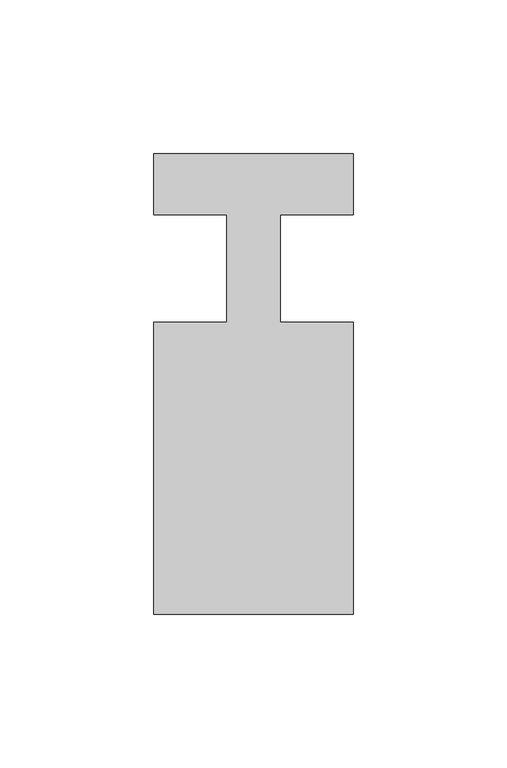
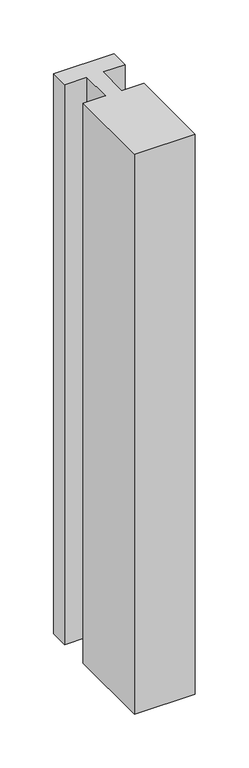
"""IFC4 building model written with IfcOpenShell, lengths in millimetres: member geometry."""

from ifc_helpers import new_model, si_unit, frame, origin, place, context, project, spatial, polyline, outline, extrude, source, transform, mapped, element, save


def member_41a3b72b(model_context):
    return source(origin(), model_context, "Body", "SweptSolid", [
        extrude(outline(polyline([(-32.5, 37.0), (32.5, 37.0), (32.5, 17.0), (8.6875, 17.0), (8.6875, -18.0), (32.5, -18.0), (32.5, -113.0), (-32.5, -113.0), (-32.5, -18.0), (-8.6875, -18.0), (-8.6875, 17.0), (-32.5, 17.0), (-32.5, 37.0)])), frame((0.0, 0.0, -634.7534171), z_axis=(0.0, 0.0, 1.0), x_axis=(1.0, 0.0, 0.0)), (0.0, 0.0, 1.0), 634.7534171),
    ])


if __name__ == "__main__":
    model = new_model("IFC4")
    model_context = context("Model", 3, world=origin())
    ifc_project = project(units=[si_unit("LENGTHUNIT", "METRE", prefix="MILLI")], contexts=[model_context])
    site = spatial("IfcSite", under=ifc_project)
    building = spatial("IfcBuilding", under=site)
    placement = place(None, origin())
    member_shape = member_41a3b72b(model_context)
    element("IfcMember", 1, at=placement, inside=building, context=model_context, shape_type="MappedRepresentation", body=[
        mapped(member_shape, transform((0.0, 0.0, 0.0), x_axis=(1.0, 0.0, 0.0), y_axis=(0.0, 1.0, 0.0), z_axis=(0.0, 0.0, 1.0))),
    ])
    save(model, "model.ifc")
